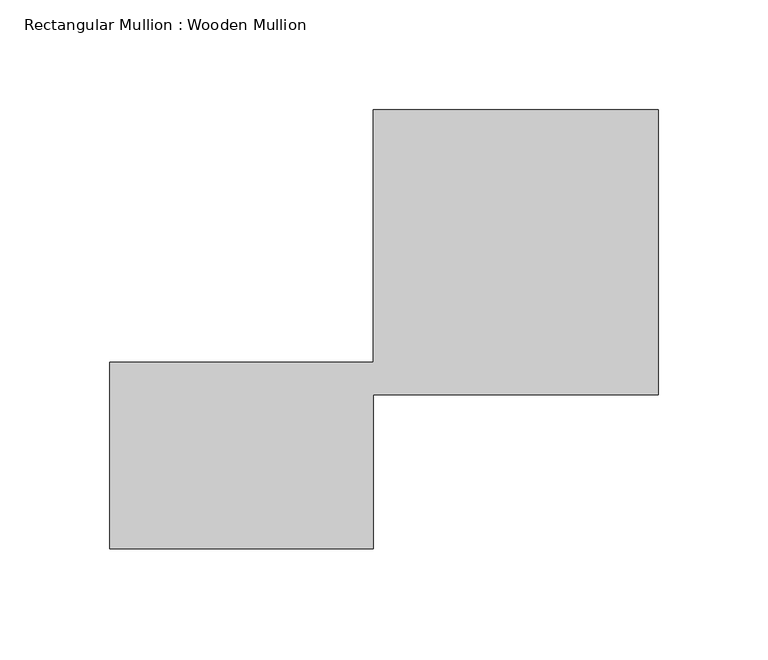
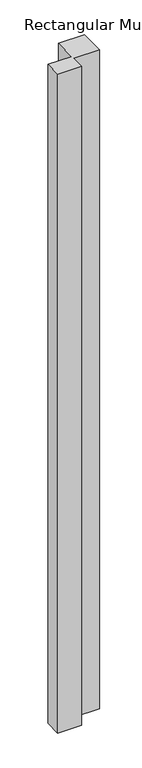
"""IFC4 building model written with IfcOpenShell, lengths in millimetres: member geometry, Rectangular Mullion : Wooden Mullion."""

from ifc_helpers import new_model, si_unit, frame, origin, place, context, project, spatial, polyline, outline, extrude, source, transform, mapped, element, save


def rectangular_mullion_wooden_mullion_62557093(model_context):
    return source(origin(), model_context, "Body", "SweptSolid", [
        extrude(outline(polyline([(74.8100006, -26.0137344), (-45.1899994, -26.0137344), (-45.1899994, 58.9862656), (74.8100006, 58.9862656), (74.8100006, 173.9862656), (204.8100006, 173.9862656), (204.8100006, 43.9862656), (74.8100006, 43.9862656), (74.8100006, -26.0137344)])), frame((0.0, 0.0, -3505.1577352), z_axis=(0.0, 0.0, 1.0), x_axis=(1.0, 0.0, 0.0)), (0.0, 0.0, 1.0), 3505.1577352),
    ])


if __name__ == "__main__":
    model = new_model("IFC4")
    model_context = context("Model", 3, world=origin())
    ifc_project = project(units=[si_unit("LENGTHUNIT", "METRE", prefix="MILLI")], contexts=[model_context])
    site = spatial("IfcSite", under=ifc_project)
    building = spatial("IfcBuilding", under=site)
    placement = place(None, origin())
    rectangular_mullion_wooden_mullion_shape = rectangular_mullion_wooden_mullion_62557093(model_context)
    element("IfcMember", 1, ObjectType="Rectangular Mullion : Wooden Mullion", at=placement, inside=building, context=model_context, shape_type="MappedRepresentation", body=[
        mapped(rectangular_mullion_wooden_mullion_shape, transform((0.0, 0.0, 0.0), x_axis=(1.0, 0.0, 0.0), y_axis=(0.0, 1.0, 0.0), z_axis=(0.0, 0.0, 1.0))),
    ])
    save(model, "model.ifc")
